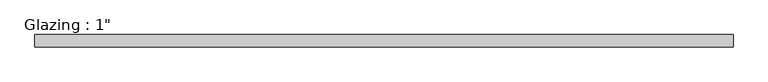
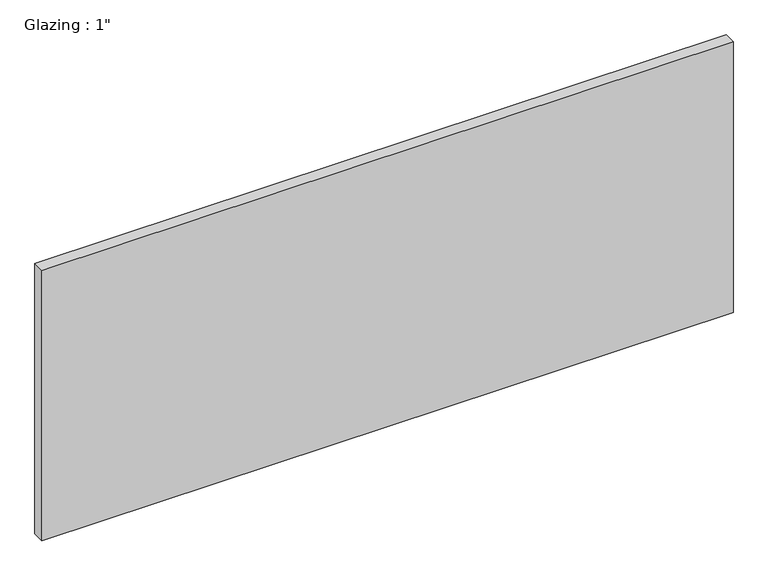
"""IFC4 building model written with IfcOpenShell, lengths in millimetres: plate geometry."""

from ifc_helpers import new_model, si_unit, origin, origin_with_axes, place, context, project, spatial, polyline, outline, extrude, source, transform, mapped, element, save


def plate_33bdaf7f(model_context):
    return source(origin(), model_context, "Body", "SweptSolid", [
        extrude(outline(polyline([(717.0507144, -12.7), (-717.0507144, -12.7), (-717.0507144, 12.7), (717.0507144, 12.7), (717.0507144, -12.7)])), origin_with_axes(), (0.0, 0.0, 1.0), 593.7249245),
    ])


if __name__ == "__main__":
    model = new_model("IFC4")
    model_context = context("Model", 3, world=origin())
    ifc_project = project(units=[si_unit("LENGTHUNIT", "METRE", prefix="MILLI")], contexts=[model_context])
    site = spatial("IfcSite", under=ifc_project)
    building = spatial("IfcBuilding", under=site)
    placement = place(None, origin())
    plate_shape = plate_33bdaf7f(model_context)
    element("IfcPlate", 1, ObjectType="Glazing : 1\"", at=placement, inside=building, context=model_context, shape_type="MappedRepresentation", body=[
        mapped(plate_shape, transform((0.0, 0.0, 0.0), x_axis=(1.0, 0.0, 0.0), y_axis=(0.0, 1.0, 0.0), z_axis=(0.0, 0.0, 1.0))),
    ])
    save(model, "model.ifc")
